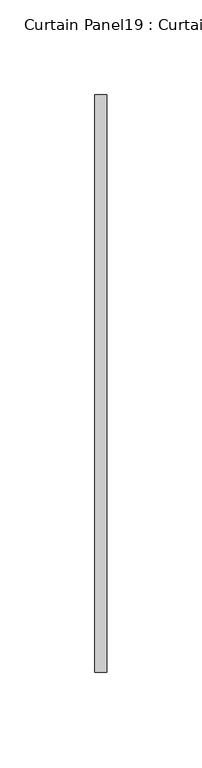
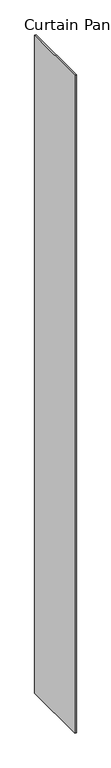
"""IFC4 building model written with IfcOpenShell, lengths in millimetres: plate geometry, Curtain Panel19 : Curtain Panel."""

from ifc_helpers import new_model, si_unit, origin, origin_with_axes, place, context, project, spatial, polyline, outline, extrude, source, transform, mapped, element, save


def curtain_panel19_curtain_panel_372853a2(model_context):
    return source(origin(), model_context, "Body", "SweptSolid", [
        extrude(outline(polyline([(189553.7810674, 2030.7041784), (189553.7810674, 2335.5041784), (189560.1310674, 2335.5041784), (189560.1310674, 2030.7041784), (189553.7810674, 2030.7041784)])), origin_with_axes(), (0.0, 0.0, 1.0), 3048.0),
    ])


if __name__ == "__main__":
    model = new_model("IFC4")
    model_context = context("Model", 3, world=origin())
    ifc_project = project(units=[si_unit("LENGTHUNIT", "METRE", prefix="MILLI")], contexts=[model_context])
    site = spatial("IfcSite", under=ifc_project)
    building = spatial("IfcBuilding", under=site)
    placement = place(None, origin())
    curtain_panel19_curtain_panel_shape = curtain_panel19_curtain_panel_372853a2(model_context)
    element("IfcPlate", 1, ObjectType="Curtain Panel19 : Curtain Panel", at=placement, inside=building, context=model_context, shape_type="MappedRepresentation", body=[
        mapped(curtain_panel19_curtain_panel_shape, transform((0.0, 0.0, 0.0), x_axis=(1.0, 0.0, 0.0), y_axis=(0.0, 1.0, 0.0), z_axis=(0.0, 0.0, 1.0))),
    ])
    save(model, "model.ifc")
